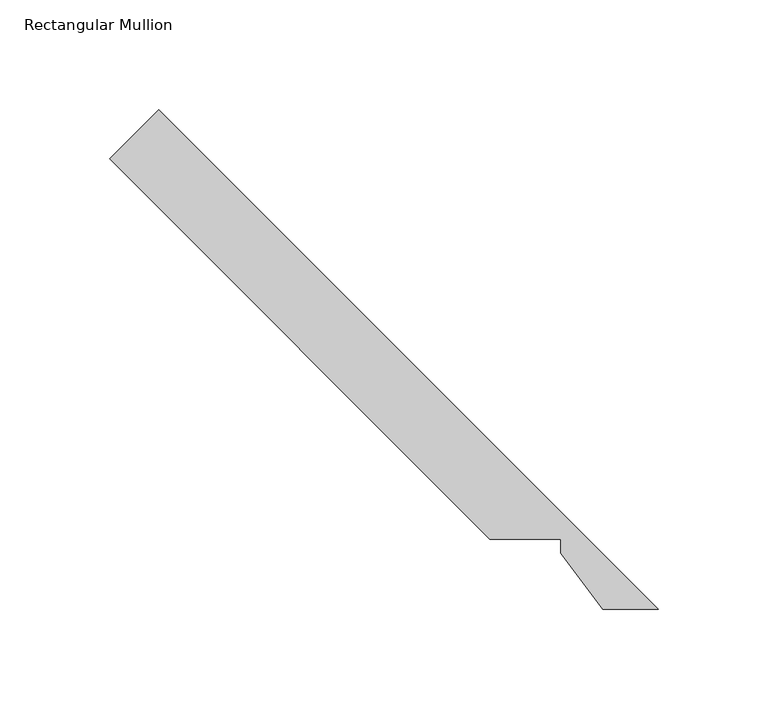
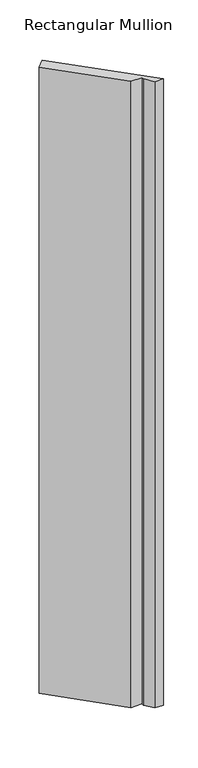
"""IFC4 building model written with IfcOpenShell, lengths in millimetres: member geometry, Rectangular Mullion."""

from ifc_helpers import new_model, si_unit, frame, origin, place, context, project, spatial, polyline, outline, extrude, source, transform, mapped, element, save


def rectangular_mullion_cfe8a543(model_context):
    return source(origin(), model_context, "Body", "SweptSolid", [
        extrude(outline(polyline([(-95.7383879, 50.831933), (-269.2113072, 224.3100265), (-246.7593733, 246.7619604), (-18.853481, 18.853481), (-44.1285825, 18.853481), (-63.303481, 44.481933), (-63.303481, 50.831933), (-95.7383879, 50.831933)])), frame((0.0, 0.0, -1965.3249999), z_axis=(0.0, 0.0, 1.0), x_axis=(1.0, 0.0, 0.0)), (0.0, 0.0, 1.0), 1965.3249999),
    ])


if __name__ == "__main__":
    model = new_model("IFC4")
    model_context = context("Model", 3, world=origin())
    ifc_project = project(units=[si_unit("LENGTHUNIT", "METRE", prefix="MILLI")], contexts=[model_context])
    site = spatial("IfcSite", under=ifc_project)
    building = spatial("IfcBuilding", under=site)
    placement = place(None, origin())
    rectangular_mullion_shape = rectangular_mullion_cfe8a543(model_context)
    element("IfcMember", 1, ObjectType="Rectangular Mullion", at=placement, inside=building, context=model_context, shape_type="MappedRepresentation", body=[
        mapped(rectangular_mullion_shape, transform((0.0, 0.0, 0.0), x_axis=(1.0, 0.0, 0.0), y_axis=(0.0, 1.0, 0.0), z_axis=(0.0, 0.0, 1.0))),
    ])
    save(model, "model.ifc")
